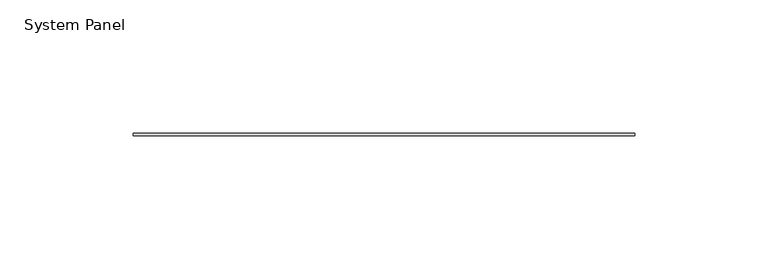
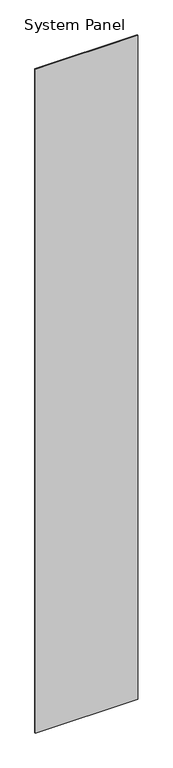
"""IFC4 building model written with IfcOpenShell, lengths in millimetres: plate geometry, System Panel."""

import ifcopenshell
import ifcopenshell.guid

model = None  # the IFC model being written
_history = None  # IfcOwnerHistory: only IFC2X3 demands one
_inside = {}  # id of a spatial element -> (the spatial element, [elements in it])
_under = {}  # id of a project, library or spatial element -> (it, [spatial elements below it])
_declared = {}  # id of a project -> (the project, [libraries it declares])
_typed = {}  # id of a type object -> (the type object, [elements of that type])
_made_of = {}  # id of a material, layer set ... -> (it, [elements and type objects made of it])


def new_model(schema):
    """Start an empty IFC model of exactly this schema.

    Asked for "IFC4X3", IfcOpenShell would pick the latest addendum, in which some entities
    have other attributes; the version numbers below select the first issue.
    IFC2X3 requires an IfcOwnerHistory on every rooted entity: one is made here for all.
    """
    global model, _history
    if schema == "IFC4X3":
        model = ifcopenshell.file(schema_version=(4, 3, 0, 0))
    else:
        model = ifcopenshell.file(schema=schema)
    _inside.clear()
    _under.clear()
    _declared.clear()
    _typed.clear()
    _made_of.clear()
    _history = None
    if model.schema == "IFC2X3":
        org = make("IfcOrganization", Name="unknown")
        user = make(
            "IfcPersonAndOrganization",
            ThePerson=make("IfcPerson", FamilyName="unknown"),
            TheOrganization=org,
        )
        app = make(
            "IfcApplication",
            ApplicationDeveloper=org,
            Version="unknown",
            ApplicationFullName="unknown",
            ApplicationIdentifier="unknown",
        )
        _history = make(
            "IfcOwnerHistory",
            OwningUser=user,
            OwningApplication=app,
            ChangeAction="ADDED",
            CreationDate=0,
        )
    return model


def make(cls, **values):
    """One entity of the class cls with the attributes given. An attribute that is None is left unset."""
    return model.create_entity(
        cls, **{name: value for name, value in values.items() if value is not None}
    )


def rooted(cls, **values):
    """An entity with a GlobalId (a new one), such as an element, a storey or a relation."""
    return make(cls, GlobalId=ifcopenshell.guid.new(), OwnerHistory=_history, **values)


def si_unit(unit_type, name, prefix=None):
    """IfcSIUnit, for example si_unit("LENGTHUNIT", "METRE", prefix="MILLI")."""
    return make("IfcSIUnit", UnitType=unit_type, Prefix=prefix, Name=name)


def assignment(units):
    """IfcUnitAssignment: the units of a project."""
    return None if units is None else make("IfcUnitAssignment", Units=units)


def point(xyz):
    """IfcCartesianPoint."""
    return None if xyz is None else make("IfcCartesianPoint", Coordinates=xyz)


def direction(xyz):
    """IfcDirection."""
    return None if xyz is None else make("IfcDirection", DirectionRatios=xyz)


def frame(location, z_axis=None, x_axis=None):
    """IfcAxis2Placement3D, a coordinate frame: its origin and axes. An axis left out is left unset."""
    return make(
        "IfcAxis2Placement3D",
        Location=point(location),
        Axis=direction(z_axis),
        RefDirection=direction(x_axis),
    )


def origin():
    """The frame at (0, 0, 0) with its axes left unset."""
    return frame((0.0, 0.0, 0.0))


def origin_with_axes():
    """The frame at (0, 0, 0) with the z axis (0, 0, 1) and the x axis (1, 0, 0) written out."""
    return frame((0.0, 0.0, 0.0), z_axis=(0.0, 0.0, 1.0), x_axis=(1.0, 0.0, 0.0))


def place(relative_to, where):
    """IfcLocalPlacement: puts the frame where relative to a parent placement (None: the world)."""
    return make(
        "IfcLocalPlacement", PlacementRelTo=relative_to, RelativePlacement=where
    )


def context(
    kind, dimensions, precision=None, world=None, true_north=None, identifier=None
):
    """IfcGeometricRepresentationContext, for example the 3D "Model" context."""
    return make(
        "IfcGeometricRepresentationContext",
        ContextIdentifier=identifier,
        ContextType=kind,
        CoordinateSpaceDimension=dimensions,
        Precision=precision,
        WorldCoordinateSystem=world,
        TrueNorth=true_north,
    )


def project(units=None, contexts=None):
    """IfcProject with its units and contexts."""
    return rooted(
        "IfcProject",
        Name="project",
        RepresentationContexts=contexts,
        UnitsInContext=assignment(units),
    )


def spatial(cls, under=None, at=None, **own):
    """A site, building, storey or space (cls), placed at a placement, below another one or the project."""
    s = rooted(cls, ObjectPlacement=at, **own)
    if under is not None:
        _under.setdefault(under.id(), (under, []))[1].append(s)
    return s


def polyline(points):
    """IfcPolyline through the points."""
    return make("IfcPolyline", Points=[point(p) for p in points])


def outline(outer, holes=None, kind="AREA"):
    """IfcArbitraryClosedProfileDef: a profile drawn as a closed curve; with holes, ...WithVoids."""
    if holes is None:
        return make("IfcArbitraryClosedProfileDef", ProfileType=kind, OuterCurve=outer)
    return make(
        "IfcArbitraryProfileDefWithVoids",
        ProfileType=kind,
        OuterCurve=outer,
        InnerCurves=holes,
    )


def extrude(swept, where, along, depth):
    """IfcExtrudedAreaSolid: the profile swept, set in the frame where, extruded along a direction by depth."""
    return make(
        "IfcExtrudedAreaSolid",
        SweptArea=swept,
        Position=where,
        ExtrudedDirection=direction(along),
        Depth=depth,
    )


def shape(context_of_items, identifier, shape_type, items):
    """IfcShapeRepresentation: the items that make up one representation, for example the "Body"."""
    return make(
        "IfcShapeRepresentation",
        ContextOfItems=context_of_items,
        RepresentationIdentifier=identifier,
        RepresentationType=shape_type,
        Items=items,
    )


def source(mapping_origin, context_of_items, identifier, shape_type, items):
    """IfcRepresentationMap: a shape defined once, which mapped items show again and again."""
    return make(
        "IfcRepresentationMap",
        MappingOrigin=mapping_origin,
        MappedRepresentation=shape(context_of_items, identifier, shape_type, items),
    )


def transform(
    local_origin,
    x_axis=None,
    y_axis=None,
    z_axis=None,
    scale=None,
    scale2=None,
    scale3=None,
    uniform=True,
):
    """IfcCartesianTransformationOperator3D, or its non-uniform kind. x_axis, y_axis, z_axis: its Axis1, 2, 3."""
    if uniform:
        return make(
            "IfcCartesianTransformationOperator3D",
            Axis1=direction(x_axis),
            Axis2=direction(y_axis),
            LocalOrigin=point(local_origin),
            Scale=scale,
            Axis3=direction(z_axis),
        )
    return make(
        "IfcCartesianTransformationOperator3DnonUniform",
        Axis1=direction(x_axis),
        Axis2=direction(y_axis),
        LocalOrigin=point(local_origin),
        Scale=scale,
        Axis3=direction(z_axis),
        Scale2=scale2,
        Scale3=scale3,
    )


def mapped(mapping_source, mapping_target):
    """IfcMappedItem: shows the shape of a source again, moved by a transform."""
    return make(
        "IfcMappedItem", MappingSource=mapping_source, MappingTarget=mapping_target
    )


def made_of(thing, what):
    """Note that an element or type object is made of a material, layer set ...; save() writes the relation."""
    if what is not None:
        _made_of.setdefault(what.id(), (what, []))[1].append(thing)
    return thing


def element(
    cls,
    number,
    at=None,
    inside=None,
    cuts=None,
    type_object=None,
    material=None,
    context=None,
    identifier="Body",
    shape_type=None,
    held_by="IfcProductDefinitionShape",
    body=None,
    shapes=None,
    **own,
):
    """One element of the class cls, such as IfcWall. Its Tag is "e" and its number.

    at: its placement. inside: the storey or other place that contains it. cuts: it is an
    opening in that element (IfcRelVoidsElement). A single representation is given by context,
    identifier, shape_type and body (its items); several are given by shapes. held_by: the class
    of the entity that holds the representations. save() writes the other relations.
    """
    e = rooted(cls, Tag="e%d" % number, ObjectPlacement=at, **own)
    if body is not None:
        shapes = [shape(context, identifier, shape_type, body)]
    if shapes is not None:
        e.Representation = make(held_by, Representations=shapes)
    if inside is not None:
        _inside.setdefault(inside.id(), (inside, []))[1].append(e)
    if cuts is not None:
        rooted(
            "IfcRelVoidsElement", RelatingBuildingElement=cuts, RelatedOpeningElement=e
        )
    if type_object is not None:
        _typed.setdefault(type_object.id(), (type_object, []))[1].append(e)
    return made_of(e, material)


def aggregate(whole, parts):
    """IfcRelAggregates: a whole, such as a stair, and the parts it consists of."""
    return rooted("IfcRelAggregates", RelatingObject=whole, RelatedObjects=parts)


def save(model, path):
    """Write the relations noted so far, then the file.

    IfcRelAggregates (storeys below a building ...), IfcRelContainedInSpatialStructure (elements
    in a storey), IfcRelDefinesByType, IfcRelAssociatesMaterial and IfcRelDeclares: one each for
    every whole, place, type object, material and project.
    """
    for whole, parts in _under.values():
        aggregate(whole, parts)
    for where, things in _inside.values():
        rooted(
            "IfcRelContainedInSpatialStructure",
            RelatedElements=things,
            RelatingStructure=where,
        )
    for kind, things in _typed.values():
        rooted("IfcRelDefinesByType", RelatedObjects=things, RelatingType=kind)
    for what, things in _made_of.values():
        rooted("IfcRelAssociatesMaterial", RelatedObjects=things, RelatingMaterial=what)
    for by, libraries in _declared.values():
        rooted("IfcRelDeclares", RelatingContext=by, RelatedDefinitions=libraries)
    model.write(path)


def system_panel_ad178575(model_context):
    return source(origin(), model_context, "Body", "SweptSolid", [
        extrude(outline(polyline([(93.9165, -0.396875), (-93.9165, -0.396875), (-93.9165, 0.396875), (93.9165, 0.396875), (93.9165, -0.396875)])), origin_with_axes(), (0.0, 0.0, 1.0), 1285.875),
    ])


if __name__ == "__main__":
    model = new_model("IFC4")
    model_context = context("Model", 3, world=origin())
    ifc_project = project(units=[si_unit("LENGTHUNIT", "METRE", prefix="MILLI")], contexts=[model_context])
    site = spatial("IfcSite", under=ifc_project)
    building = spatial("IfcBuilding", under=site)
    placement = place(None, origin())
    system_panel_shape = system_panel_ad178575(model_context)
    element("IfcPlate", 1, ObjectType="System Panel", at=placement, inside=building, context=model_context, shape_type="MappedRepresentation", body=[
        mapped(system_panel_shape, transform((0.0, 0.0, 0.0), x_axis=(1.0, 0.0, 0.0), y_axis=(0.0, 1.0, 0.0), z_axis=(0.0, 0.0, 1.0))),
    ])
    save(model, "model.ifc")
